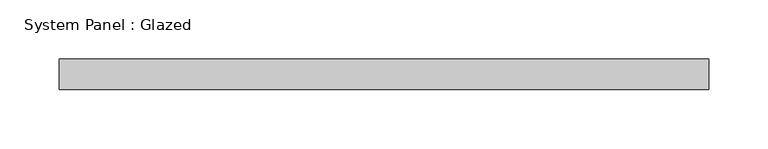
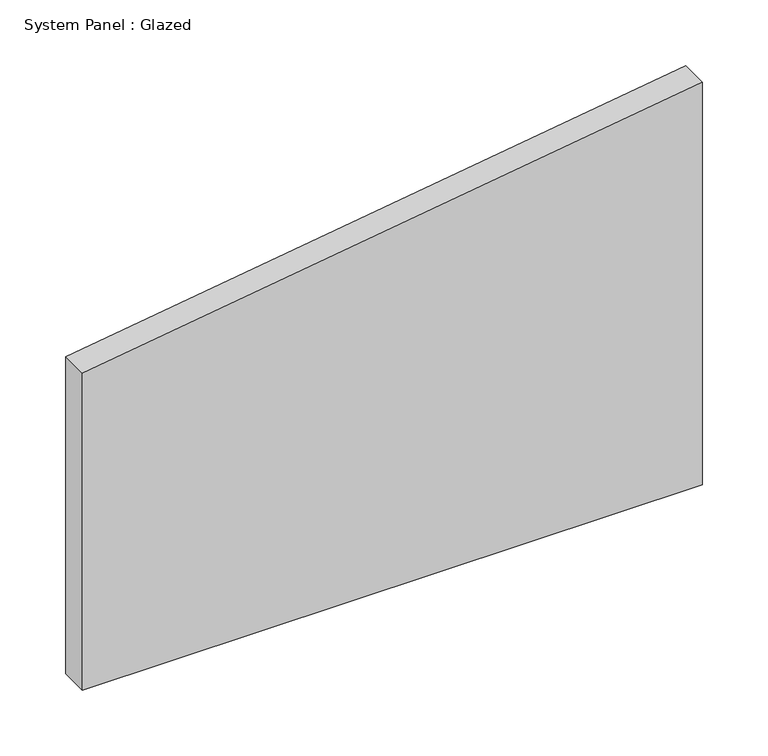
"""IFC4 building model written with IfcOpenShell, lengths in millimetres: plate geometry, System Panel : Glazed."""

from ifc_helpers import new_model, si_unit, frame, origin, place, context, project, spatial, polyline, outline, extrude, source, transform, mapped, element, save


def system_panel_glazed_71d2511f(model_context):
    return source(origin(), model_context, "Body", "SweptSolid", [
        extrude(outline(polyline([(0.0, -273.05), (0.0, 273.05), (374.8441887, 273.05), (294.9192941, -273.05), (0.0, -273.05)])), frame((0.0, 19.05, 0.0), z_axis=(0.0, 1.0, 0.0), x_axis=(0.0, 0.0, 1.0)), (0.0, 0.0, 1.0), 25.4),
    ])


if __name__ == "__main__":
    model = new_model("IFC4")
    model_context = context("Model", 3, world=origin())
    ifc_project = project(units=[si_unit("LENGTHUNIT", "METRE", prefix="MILLI")], contexts=[model_context])
    site = spatial("IfcSite", under=ifc_project)
    building = spatial("IfcBuilding", under=site)
    placement = place(None, origin())
    system_panel_glazed_shape = system_panel_glazed_71d2511f(model_context)
    element("IfcPlate", 1, ObjectType="System Panel : Glazed", at=placement, inside=building, context=model_context, shape_type="MappedRepresentation", body=[
        mapped(system_panel_glazed_shape, transform((0.0, 0.0, 0.0), x_axis=(1.0, 0.0, 0.0), y_axis=(0.0, 1.0, 0.0), z_axis=(0.0, 0.0, 1.0))),
    ])
    save(model, "model.ifc")
